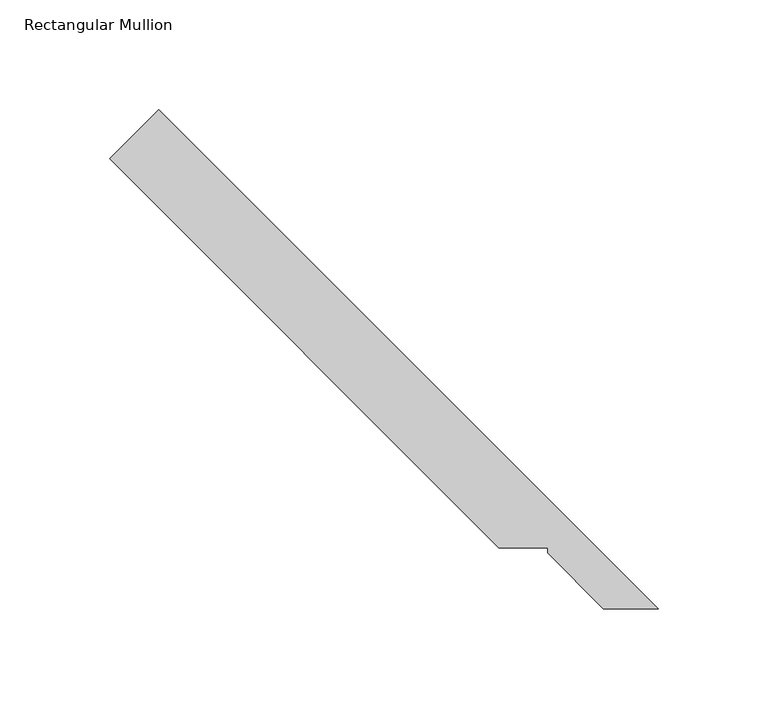
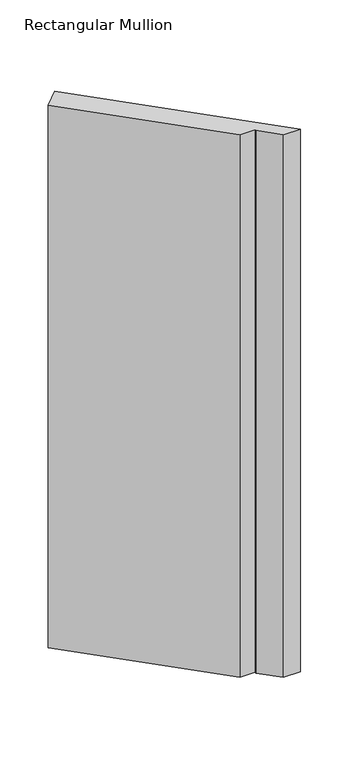
"""IFC4 building model written with IfcOpenShell, lengths in millimetres: member geometry, Rectangular Mullion."""

from ifc_helpers import new_model, si_unit, frame, origin, place, context, project, spatial, polyline, outline, extrude, source, transform, mapped, element, save


def rectangular_mullion_a3bbe5c2(model_context):
    return source(origin(), model_context, "Body", "SweptSolid", [
        extrude(outline(polyline([(-269.1568908, 224.2556102), (-246.7062505, 246.7062505), (-18.8048309, 18.8048309), (-43.9660501, 18.8048309), (-69.3840142, 44.4217335), (-69.3840142, 46.7077335), (-91.6090141, 46.7077335), (-269.1568908, 224.2556102)])), frame((0.0, 0.0, -838.2), z_axis=(0.0, 0.0, 1.0), x_axis=(1.0, 0.0, 0.0)), (0.0, 0.0, 1.0), 838.2),
    ])


if __name__ == "__main__":
    model = new_model("IFC4")
    model_context = context("Model", 3, world=origin())
    ifc_project = project(units=[si_unit("LENGTHUNIT", "METRE", prefix="MILLI")], contexts=[model_context])
    site = spatial("IfcSite", under=ifc_project)
    building = spatial("IfcBuilding", under=site)
    placement = place(None, origin())
    rectangular_mullion_shape = rectangular_mullion_a3bbe5c2(model_context)
    element("IfcMember", 1, ObjectType="Rectangular Mullion", at=placement, inside=building, context=model_context, shape_type="MappedRepresentation", body=[
        mapped(rectangular_mullion_shape, transform((0.0, 0.0, 0.0), x_axis=(1.0, 0.0, 0.0), y_axis=(0.0, 1.0, 0.0), z_axis=(0.0, 0.0, 1.0))),
    ])
    save(model, "model.ifc")
